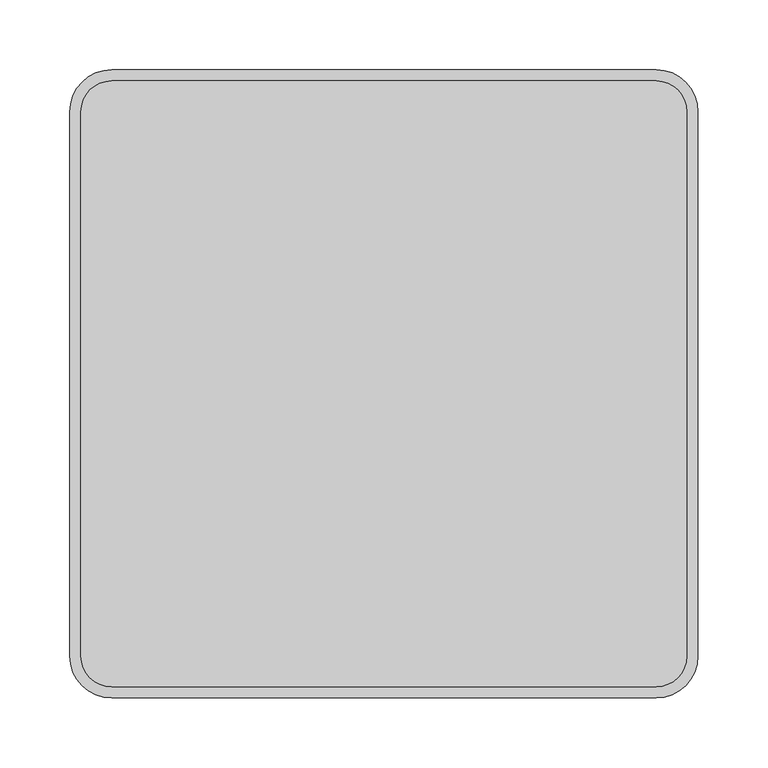
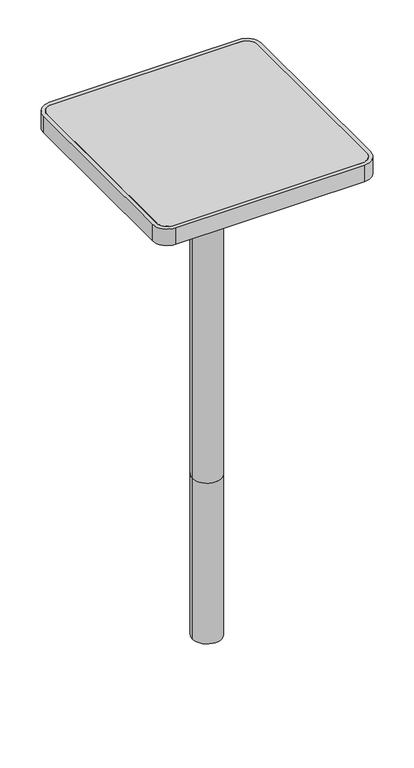
"""IFC4 building model written with IfcOpenShell, lengths in millimetres: furniture geometry."""

from ifc_helpers import new_model, si_unit, point, frame, frame_2d, origin, origin_with_axes, origin_2d, place, context, project, spatial, polyline, circle_curve, trimmed, segment, composite_curve, outline, extrude, source, transform, mapped, element, save


def furniture_75b1c542(model_context):
    return source(origin(), model_context, "Body", "SweptSolid", [
        extrude(outline(composite_curve([segment(trimmed(circle_curve(frame_2d((-195.0, 195.0)), 22.0), [point((-217.0, 195.0))], [point((-195.0, 217.0))], False, "CARTESIAN"), True, "CONTINUOUS"), segment(polyline([(-195.0, 217.0), (195.0, 217.0)]), True, "CONTINUOUS"), segment(trimmed(circle_curve(frame_2d((195.0, 195.0)), 22.0), [point((195.0, 217.0))], [point((217.0, 195.0))], False, "CARTESIAN"), True, "CONTINUOUS"), segment(polyline([(217.0, 195.0), (217.0, -195.0)]), True, "CONTINUOUS"), segment(trimmed(circle_curve(frame_2d((195.0, -195.0)), 22.0), [point((217.0, -195.0))], [point((195.0, -217.0))], False, "CARTESIAN"), True, "CONTINUOUS"), segment(polyline([(195.0, -217.0), (-195.0, -217.0)]), True, "CONTINUOUS"), segment(trimmed(circle_curve(frame_2d((-195.0, -195.0)), 22.0), [point((-195.0, -217.0))], [point((-217.0, -195.0))], False, "CARTESIAN"), True, "CONTINUOUS"), segment(polyline([(-217.0, -195.0), (-217.0, 195.0)]), True, "CONTINUOUS")], self_intersect=False)), frame((0.0, 0.0, 737.0), z_axis=(0.0, 0.0, 1.0), x_axis=(1.0, 0.0, 0.0)), (0.0, 0.0, 1.0), 3.0),
        extrude(outline(polyline([(-217.0, 55.0), (217.0, 55.0), (217.0, -55.0), (-217.0, -55.0), (-217.0, 55.0)])), frame((0.0, 0.0, 712.0), z_axis=(0.0, 0.0, 1.0), x_axis=(1.0, 0.0, 0.0)), (0.0, 0.0, 1.0), 8.0),
        extrude(outline(composite_curve([segment(polyline([(-225.0, -195.0), (-225.0, 195.0)]), True, "CONTINUOUS"), segment(trimmed(circle_curve(frame_2d((-195.0, 195.0)), 30.0), [point((-225.0, 195.0))], [point((-195.0, 225.0))], False, "CARTESIAN"), True, "CONTINUOUS"), segment(polyline([(-195.0, 225.0), (195.0, 225.0)]), True, "CONTINUOUS"), segment(trimmed(circle_curve(frame_2d((195.0, 195.0)), 30.0), [point((195.0, 225.0))], [point((225.0, 195.0))], False, "CARTESIAN"), True, "CONTINUOUS"), segment(polyline([(225.0, 195.0), (225.0, -195.0)]), True, "CONTINUOUS"), segment(trimmed(circle_curve(frame_2d((195.0, -195.0)), 30.0), [point((225.0, -195.0))], [point((195.0, -225.0))], False, "CARTESIAN"), True, "CONTINUOUS"), segment(polyline([(195.0, -225.0), (-195.0, -225.0)]), True, "CONTINUOUS"), segment(trimmed(circle_curve(frame_2d((-195.0, -195.0)), 30.0), [point((-195.0, -225.0))], [point((-225.0, -195.0))], False, "CARTESIAN"), True, "CONTINUOUS")], self_intersect=False), holes=[composite_curve([segment(polyline([(-217.0, 195.0), (-217.0, -195.0)]), True, "CONTINUOUS"), segment(trimmed(circle_curve(frame_2d((-195.0, -195.0)), 22.0), [point((-217.0, -195.0))], [point((-195.0, -217.0))], True, "CARTESIAN"), True, "CONTINUOUS"), segment(polyline([(-195.0, -217.0), (195.0, -217.0)]), True, "CONTINUOUS"), segment(trimmed(circle_curve(frame_2d((195.0, -195.0)), 22.0), [point((195.0, -217.0))], [point((217.0, -195.0))], True, "CARTESIAN"), True, "CONTINUOUS"), segment(polyline([(217.0, -195.0), (217.0, 195.0)]), True, "CONTINUOUS"), segment(trimmed(circle_curve(frame_2d((195.0, 195.0)), 22.0), [point((217.0, 195.0))], [point((195.0, 217.0))], True, "CARTESIAN"), True, "CONTINUOUS"), segment(polyline([(195.0, 217.0), (-195.0, 217.0)]), True, "CONTINUOUS"), segment(trimmed(circle_curve(frame_2d((-195.0, 195.0)), 22.0), [point((-195.0, 217.0))], [point((-217.0, 195.0))], True, "CARTESIAN"), True, "CONTINUOUS")], self_intersect=False)]), frame((0.0, 0.0, 704.0), z_axis=(0.0, 0.0, 1.0), x_axis=(1.0, 0.0, 0.0)), (0.0, 0.0, 1.0), 36.0),
        extrude(outline(composite_curve([segment(trimmed(circle_curve(origin_2d(), 30.0), [point((-30.0, 0.0))], [point((30.0, 0.0))], False, "CARTESIAN"), True, "CONTINUOUS"), segment(trimmed(circle_curve(origin_2d(), 30.0), [point((30.0, 0.0))], [point((-30.0, 0.0))], False, "CARTESIAN"), True, "CONTINUOUS")], self_intersect=False)), origin_with_axes(), (0.0, 0.0, 1.0), 712.0),
        extrude(outline(composite_curve([segment(trimmed(circle_curve(origin_2d(), 30.0), [point((-30.0, 0.0))], [point((30.0, 0.0))], False, "CARTESIAN"), True, "CONTINUOUS"), segment(trimmed(circle_curve(origin_2d(), 30.0), [point((30.0, 0.0))], [point((-30.0, 0.0))], False, "CARTESIAN"), True, "CONTINUOUS")], self_intersect=False)), frame((0.0, 0.0, -350.0), z_axis=(0.0, 0.0, 1.0), x_axis=(1.0, 0.0, 0.0)), (0.0, 0.0, 1.0), 350.0),
    ])


if __name__ == "__main__":
    model = new_model("IFC4")
    model_context = context("Model", 3, world=origin())
    ifc_project = project(units=[si_unit("LENGTHUNIT", "METRE", prefix="MILLI")], contexts=[model_context])
    site = spatial("IfcSite", under=ifc_project)
    building = spatial("IfcBuilding", under=site)
    placement = place(None, origin())
    furniture_shape = furniture_75b1c542(model_context)
    element("IfcFurniture", 1, at=placement, inside=building, context=model_context, shape_type="MappedRepresentation", body=[
        mapped(furniture_shape, transform((0.0, 0.0, 0.0), x_axis=(1.0, 0.0, 0.0), y_axis=(0.0, 1.0, 0.0), z_axis=(0.0, 0.0, 1.0))),
    ])
    save(model, "model.ifc")
